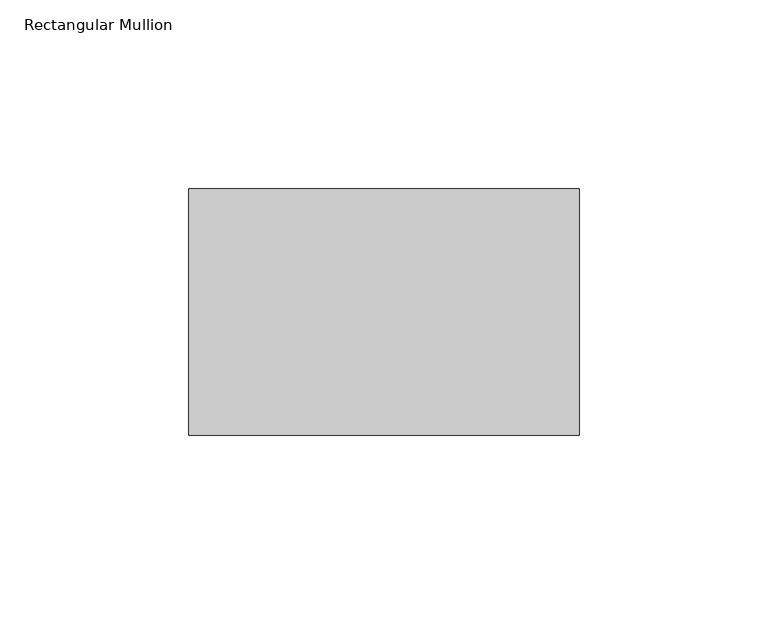
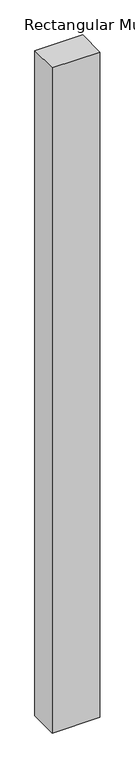
"""IFC4 building model written with IfcOpenShell, lengths in millimetres: member geometry, Rectangular Mullion."""

from ifc_helpers import new_model, si_unit, frame, origin, place, context, project, spatial, polyline, outline, extrude, source, transform, mapped, element, save


def rectangular_mullion_db7c0ed5(model_context):
    return source(origin(), model_context, "Body", "SweptSolid", [
        extrude(outline(polyline([(51.59375, -39.6875), (-51.59375, -39.6875), (-51.59375, 25.4), (51.59375, 25.4), (51.59375, -39.6875)])), frame((0.0, 0.0, -1524.0), z_axis=(0.0, 0.0, 1.0), x_axis=(1.0, 0.0, 0.0)), (0.0, 0.0, 1.0), 1524.0),
    ])


if __name__ == "__main__":
    model = new_model("IFC4")
    model_context = context("Model", 3, world=origin())
    ifc_project = project(units=[si_unit("LENGTHUNIT", "METRE", prefix="MILLI")], contexts=[model_context])
    site = spatial("IfcSite", under=ifc_project)
    building = spatial("IfcBuilding", under=site)
    placement = place(None, origin())
    rectangular_mullion_shape = rectangular_mullion_db7c0ed5(model_context)
    element("IfcMember", 1, ObjectType="Rectangular Mullion", at=placement, inside=building, context=model_context, shape_type="MappedRepresentation", body=[
        mapped(rectangular_mullion_shape, transform((0.0, 0.0, 0.0), x_axis=(1.0, 0.0, 0.0), y_axis=(0.0, 1.0, 0.0), z_axis=(0.0, 0.0, 1.0))),
    ])
    save(model, "model.ifc")
